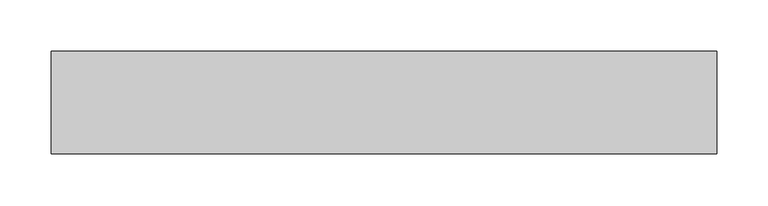
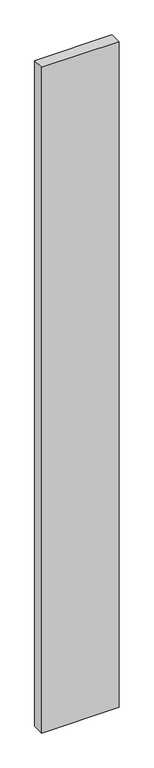
"""IFC4 building model written with IfcOpenShell, lengths in millimetres: proxy geometry."""

from ifc_helpers import new_model, si_unit, frame, origin, place, context, project, spatial, polyline, outline, extrude, source, transform, mapped, element, save


def generic_models_16949ce1(model_context):
    return source(origin(), model_context, "Body", "SweptSolid", [
        extrude(outline(polyline([(650.0, 100.0), (650.0, 0.0), (0.0, 0.0), (0.0, 100.0), (650.0, 100.0)])), frame((0.0, 0.0, -5900.0), z_axis=(0.0, 0.0, 1.0), x_axis=(1.0, 0.0, 0.0)), (0.0, 0.0, 1.0), 5900.0),
    ])


if __name__ == "__main__":
    model = new_model("IFC4")
    model_context = context("Model", 3, world=origin())
    ifc_project = project(units=[si_unit("LENGTHUNIT", "METRE", prefix="MILLI")], contexts=[model_context])
    site = spatial("IfcSite", under=ifc_project)
    building = spatial("IfcBuilding", under=site)
    placement = place(None, origin())
    generic_models_shape = generic_models_16949ce1(model_context)
    element("IfcBuildingElementProxy", 1, Name="Generic Models", at=placement, inside=building, context=model_context, shape_type="MappedRepresentation", body=[
        mapped(generic_models_shape, transform((0.0, 0.0, 0.0), x_axis=(1.0, 0.0, 0.0), y_axis=(0.0, 1.0, 0.0), z_axis=(0.0, 0.0, 1.0))),
    ])
    save(model, "model.ifc")
